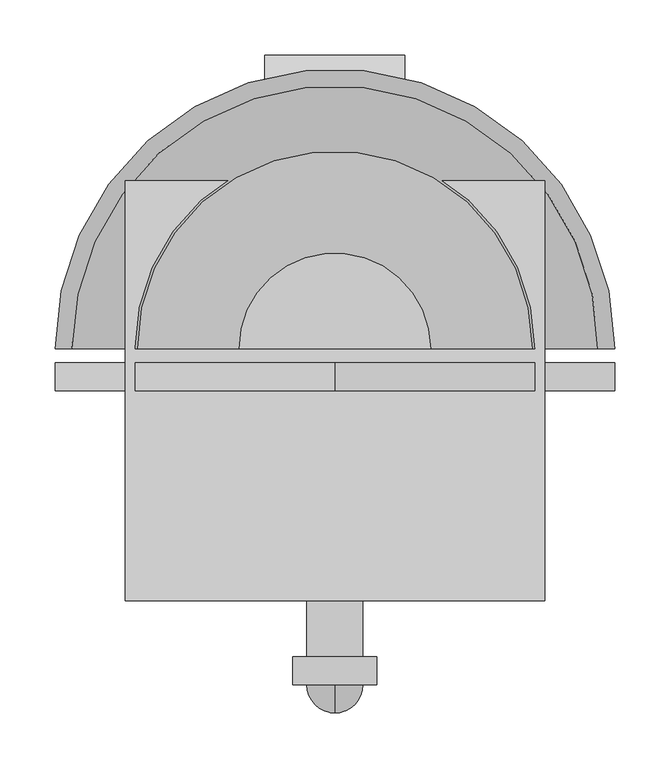
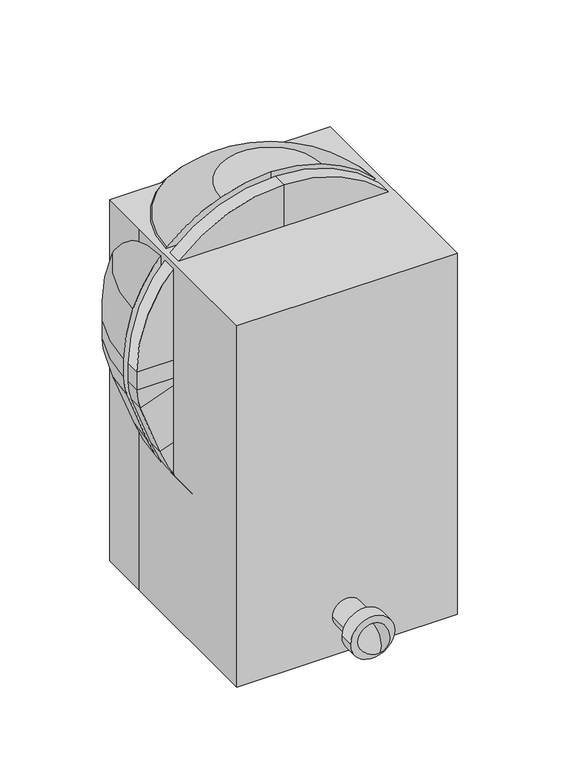
"""IFC4 building model written with IfcOpenShell, lengths in millimetres: proxy geometry."""

from ifc_helpers import new_model, si_unit, point, frame, frame_2d, origin, origin_with_axes, place, context, project, spatial, polyline, circle_curve, ellipse_curve, trimmed, segment, composite_curve, outline, extrude, source, transform, mapped, element, save
from ifc_brep_helpers import plane_surface, cylinder_surface, revolved_surface, advanced_brep


def specialty_equipment_4807e9fa(model_context):
    return source(origin(), model_context, "Body", "SolidModel", [
        advanced_brep(
        [(-86.8731164, 38.1, 721.2819257), (-179.6051224, 38.1, 662.2051224), (-238.6819257, 38.1, 569.4731164), (-254.0, 38.1, 482.6), (-254.0, 38.1, 449.7148212), (-247.8727703, 38.1, 414.9655747), (-214.4568992, 38.1, 323.1562234), (-180.7778621, 38.1, 258.4593951), (-135.6735798, 38.1, 194.0438043), (-78.7437471, 38.1, 154.1811063), (0.0, 38.1, 133.0817829), (0.0, 38.1, 159.3777978), (-63.2399099, 38.1, 176.3228806), (-120.1697426, 38.1, 216.1855786), (-158.0533758, 38.1, 270.2890139), (-191.7324129, 38.1, 334.9858422), (-224.0045777, 38.1, 423.6528863), (-228.6, 38.1, 449.7148212), (-228.6, 38.1, 482.6), (-214.8137331, 38.1, 560.7858048), (-161.6446102, 38.1, 644.2446102), (-78.1858048, 38.1, 697.4137331), (0.0, 38.1, 711.2), (0.0, 38.1, 736.6), (86.8731164, 38.1, 721.2819257), (78.1858048, 38.1, 697.4137331), (161.6446102, 38.1, 644.2446102), (214.8137331, 38.1, 560.7858048), (228.6, 38.1, 482.6), (228.6, 38.1, 449.7148212), (224.0045777, 38.1, 423.6528863), (191.7324129, 38.1, 334.9858422), (158.0533758, 38.1, 270.2890139), (120.1697426, 38.1, 216.1855786), (63.2399099, 38.1, 176.3228806), (78.7437471, 38.1, 154.1811063), (135.6735798, 38.1, 194.0438043), (180.7778621, 38.1, 258.4593951), (214.4568992, 38.1, 323.1562234), (247.8727703, 38.1, 414.9655747), (254.0, 38.1, 449.7148212), (254.0, 38.1, 482.6), (238.6819257, 38.1, 569.4731164), (179.6051224, 38.1, 662.2051224)],
        [
            (0, 1, circle_curve(frame((0.0, 38.1, 482.6), z_axis=(0.0, -1.0, 0.0), x_axis=(-1.0, 0.0, 0.0)), 254.0)),
            (1, 2, circle_curve(frame((0.0, 38.1, 482.6), z_axis=(0.0, -1.0, 0.0), x_axis=(-1.0, 0.0, 0.0)), 254.0)),
            (2, 3, circle_curve(frame((0.0, 38.1, 482.6), z_axis=(0.0, -1.0, 0.0), x_axis=(-1.0, 0.0, 0.0)), 254.0)),
            (3, 4),
            (4, 5, circle_curve(frame((-152.4, 38.1, 449.7148212), z_axis=(0.0, -1.0, 0.0), x_axis=(-1.0, 0.0, 0.0)), 101.6)),
            (5, 6),
            (6, 7, circle_curve(frame((48.0932191, 38.1, 418.7166514), z_axis=(0.0, -1.0, 0.0), x_axis=(-1.0, 0.0, 0.0)), 279.4)),
            (7, 8),
            (8, 9, circle_curve(frame((-52.4477321, 38.1, 252.3191703), z_axis=(0.0, -1.0, 0.0), x_axis=(-1.0, 0.0, 0.0)), 101.6)),
            (9, 10),
            (10, 11),
            (11, 12),
            (12, 13, circle_curve(frame((-36.9438949, 38.1, 274.4609446), z_axis=(0.0, 1.0, 0.0), x_axis=(-1.0, 0.0, 0.0)), 101.6)),
            (13, 14),
            (14, 15, circle_curve(frame((70.8177054, 38.1, 430.5462703), z_axis=(0.0, 1.0, 0.0), x_axis=(-1.0, 0.0, 0.0)), 279.4)),
            (15, 16),
            (16, 17, circle_curve(frame((-152.4, 38.1, 449.7148212), z_axis=(0.0, 1.0, 0.0), x_axis=(-1.0, 0.0, 0.0)), 76.2)),
            (17, 18),
            (18, 19, circle_curve(frame((0.0, 38.1, 482.6), z_axis=(0.0, 1.0, 0.0), x_axis=(-1.0, 0.0, 0.0)), 228.6)),
            (19, 20, circle_curve(frame((0.0, 38.1, 482.6), z_axis=(0.0, 1.0, 0.0), x_axis=(-1.0, 0.0, 0.0)), 228.6)),
            (20, 21, circle_curve(frame((0.0, 38.1, 482.6), z_axis=(0.0, 1.0, 0.0), x_axis=(-1.0, 0.0, 0.0)), 228.6)),
            (21, 22, circle_curve(frame((0.0, 38.1, 482.6), z_axis=(0.0, 1.0, 0.0), x_axis=(-1.0, 0.0, 0.0)), 228.6)),
            (22, 23),
            (23, 0, circle_curve(frame((0.0, 38.1, 482.6), z_axis=(0.0, -1.0, 0.0), x_axis=(-1.0, 0.0, 0.0)), 254.0)),
            (24, 23, circle_curve(frame((0.0, 38.1, 482.6), z_axis=(0.0, -1.0, 0.0), x_axis=(1.0, 0.0, 0.0)), 254.0)),
            (22, 25, circle_curve(frame((0.0, 38.1, 482.6), z_axis=(0.0, 1.0, 0.0), x_axis=(1.0, 0.0, 0.0)), 228.6)),
            (25, 26, circle_curve(frame((0.0, 38.1, 482.6), z_axis=(0.0, 1.0, 0.0), x_axis=(1.0, 0.0, 0.0)), 228.6)),
            (26, 27, circle_curve(frame((0.0, 38.1, 482.6), z_axis=(0.0, 1.0, 0.0), x_axis=(1.0, 0.0, 0.0)), 228.6)),
            (27, 28, circle_curve(frame((0.0, 38.1, 482.6), z_axis=(0.0, 1.0, 0.0), x_axis=(1.0, 0.0, 0.0)), 228.6)),
            (28, 29),
            (29, 30, circle_curve(frame((152.4, 38.1, 449.7148212), z_axis=(0.0, 1.0, 0.0), x_axis=(1.0, 0.0, 0.0)), 76.2)),
            (30, 31),
            (31, 32, circle_curve(frame((-70.8177054, 38.1, 430.5462703), z_axis=(0.0, 1.0, 0.0), x_axis=(1.0, 0.0, 0.0)), 279.4)),
            (32, 33),
            (33, 34, circle_curve(frame((36.9438949, 38.1, 274.4609446), z_axis=(0.0, 1.0, 0.0), x_axis=(1.0, 0.0, 0.0)), 101.6)),
            (34, 11),
            (10, 35),
            (35, 36, circle_curve(frame((52.4477321, 38.1, 252.3191703), z_axis=(0.0, -1.0, 0.0), x_axis=(1.0, 0.0, 0.0)), 101.6)),
            (36, 37),
            (37, 38, circle_curve(frame((-48.0932191, 38.1, 418.7166514), z_axis=(0.0, -1.0, 0.0), x_axis=(1.0, 0.0, 0.0)), 279.4)),
            (38, 39),
            (39, 40, circle_curve(frame((152.4, 38.1, 449.7148212), z_axis=(0.0, -1.0, 0.0), x_axis=(1.0, 0.0, 0.0)), 101.6)),
            (40, 41),
            (41, 42, circle_curve(frame((0.0, 38.1, 482.6), z_axis=(0.0, -1.0, 0.0), x_axis=(1.0, 0.0, 0.0)), 254.0)),
            (42, 43, circle_curve(frame((0.0, 38.1, 482.6), z_axis=(0.0, -1.0, 0.0), x_axis=(1.0, 0.0, 0.0)), 254.0)),
            (43, 24, circle_curve(frame((0.0, 38.1, 482.6), z_axis=(0.0, -1.0, 0.0), x_axis=(1.0, 0.0, 0.0)), 254.0)),
            (24, 0, circle_curve(frame((0.0, 38.1, 721.2819257), z_axis=(0.0, 0.0, 1.0), x_axis=(-1.0, 0.0, 0.0)), 86.8731164)),
            (21, 25, circle_curve(frame((0.0, 38.1, 697.4137331), z_axis=(0.0, 0.0, -1.0), x_axis=(-1.0, 0.0, 0.0)), 78.1858048)),
            (20, 26, circle_curve(frame((0.0, 38.1, 644.2446102), z_axis=(0.0, 0.0, -1.0), x_axis=(-1.0, 0.0, 0.0)), 161.6446102)),
            (19, 27, circle_curve(frame((0.0, 38.1, 560.7858048), z_axis=(0.0, 0.0, -1.0), x_axis=(-1.0, 0.0, 0.0)), 214.8137331)),
            (18, 28, circle_curve(frame((0.0, 38.1, 482.6), z_axis=(0.0, 0.0, -1.0), x_axis=(-1.0, 0.0, 0.0)), 228.6)),
            (17, 29, circle_curve(frame((0.0, 38.1, 449.7148212), z_axis=(0.0, 0.0, -1.0), x_axis=(-1.0, 0.0, 0.0)), 228.6)),
            (16, 30, circle_curve(frame((0.0, 38.1, 423.6528863), z_axis=(0.0, 0.0, -1.0), x_axis=(-1.0, 0.0, 0.0)), 224.0045777)),
            (15, 31, circle_curve(frame((0.0, 38.1, 334.9858422), z_axis=(0.0, 0.0, -1.0), x_axis=(-1.0, 0.0, 0.0)), 191.7324129)),
            (14, 32, circle_curve(frame((0.0, 38.1, 270.2890139), z_axis=(0.0, 0.0, -1.0), x_axis=(-1.0, 0.0, 0.0)), 158.0533758)),
            (13, 33, circle_curve(frame((0.0, 38.1, 216.1855786), z_axis=(0.0, 0.0, -1.0), x_axis=(-1.0, 0.0, 0.0)), 120.1697426)),
            (12, 34, circle_curve(frame((0.0, 38.1, 176.3228806), z_axis=(0.0, 0.0, -1.0), x_axis=(-1.0, 0.0, 0.0)), 63.2399099)),
            (9, 35, circle_curve(frame((0.0, 38.1, 154.1811063), z_axis=(0.0, 0.0, -1.0), x_axis=(-1.0, 0.0, 0.0)), 78.7437471)),
            (8, 36, circle_curve(frame((0.0, 38.1, 194.0438043), z_axis=(0.0, 0.0, -1.0), x_axis=(-1.0, 0.0, 0.0)), 135.6735798)),
            (7, 37, circle_curve(frame((0.0, 38.1, 258.4593951), z_axis=(0.0, 0.0, -1.0), x_axis=(-1.0, 0.0, 0.0)), 180.7778621)),
            (6, 38, circle_curve(frame((0.0, 38.1, 323.1562234), z_axis=(0.0, 0.0, -1.0), x_axis=(-1.0, 0.0, 0.0)), 214.4568992)),
            (5, 39, circle_curve(frame((0.0, 38.1, 414.9655747), z_axis=(0.0, 0.0, -1.0), x_axis=(-1.0, 0.0, 0.0)), 247.8727703)),
            (4, 40, circle_curve(frame((0.0, 38.1, 449.7148212), z_axis=(0.0, 0.0, -1.0), x_axis=(-1.0, 0.0, 0.0)), 254.0)),
            (3, 41, circle_curve(frame((0.0, 38.1, 482.6), z_axis=(0.0, 0.0, -1.0), x_axis=(-1.0, 0.0, 0.0)), 254.0)),
            (2, 42, circle_curve(frame((0.0, 38.1, 569.4731164), z_axis=(0.0, 0.0, -1.0), x_axis=(-1.0, 0.0, 0.0)), 238.6819257)),
            (1, 43, circle_curve(frame((0.0, 38.1, 662.2051224), z_axis=(0.0, 0.0, -1.0), x_axis=(-1.0, 0.0, 0.0)), 179.6051224)),
        ],
        [
            plane_surface(frame((0.0, 38.1, 841.8102448), z_axis=(0.0, -1.0, 0.0), x_axis=(-1.0, 0.0, 0.0))),
            plane_surface(frame((0.0, 38.1, 841.8102448), z_axis=(0.0, -1.0, 0.0), x_axis=(1.0, 0.0, 0.0))),
            revolved_surface(trimmed(ellipse_curve(frame((0.0, 38.1, 482.6), z_axis=(0.0, 1.0, 0.0), x_axis=(-1.0, 0.0, 0.0)), 254.0, 254.0), [point((-86.8731164, 38.1, 721.2819257))], [point((0.0, 38.1, 736.6))], True, "CARTESIAN"), (0.0, 38.1, 841.8102448), (0.0, 0.0, 1.0)),
            revolved_surface(trimmed(ellipse_curve(frame((0.0, 38.1, 482.6), z_axis=(0.0, -1.0, 0.0), x_axis=(-1.0, 0.0, 0.0)), 228.6, 228.6), [point((0.0, 38.1, 711.2))], [point((-78.1858048, 38.1, 697.4137331))], True, "CARTESIAN"), (0.0, 38.1, 841.8102448), (0.0, 0.0, 1.0)),
            revolved_surface(trimmed(ellipse_curve(frame((0.0, 38.1, 482.6), z_axis=(0.0, -1.0, 0.0), x_axis=(-1.0, 0.0, 0.0)), 228.6, 228.6), [point((-78.1858048, 38.1, 697.4137331))], [point((-161.6446102, 38.1, 644.2446102))], True, "CARTESIAN"), (0.0, 38.1, 841.8102448), (0.0, 0.0, 1.0)),
            revolved_surface(trimmed(ellipse_curve(frame((0.0, 38.1, 482.6), z_axis=(0.0, -1.0, 0.0), x_axis=(-1.0, 0.0, 0.0)), 228.6, 228.6), [point((-161.6446102, 38.1, 644.2446102))], [point((-214.8137331, 38.1, 560.7858048))], True, "CARTESIAN"), (0.0, 38.1, 841.8102448), (0.0, 0.0, 1.0)),
            revolved_surface(trimmed(ellipse_curve(frame((0.0, 38.1, 482.6), z_axis=(0.0, -1.0, 0.0), x_axis=(-1.0, 0.0, 0.0)), 228.6, 228.6), [point((-214.8137331, 38.1, 560.7858048))], [point((-228.6, 38.1, 482.6))], True, "CARTESIAN"), (0.0, 38.1, 841.8102448), (0.0, 0.0, 1.0)),
            revolved_surface(polyline([(-228.6, 38.1, 482.6), (-228.6, 38.1, 449.7148212)]), (0.0, 38.1, 841.8102448), (0.0, 0.0, 1.0)),
            revolved_surface(trimmed(ellipse_curve(frame((-152.4, 38.1, 449.7148212), z_axis=(0.0, -1.0, 0.0), x_axis=(-1.0, 0.0, 0.0)), 76.2, 76.2), [point((-228.6, 38.1, 449.7148212))], [point((-224.0045777, 38.1, 423.6528863))], True, "CARTESIAN"), (0.0, 38.1, 841.8102448), (0.0, 0.0, 1.0)),
            revolved_surface(polyline([(-224.0045777, 38.1, 423.6528863), (-191.7324129, 38.1, 334.9858422)]), (0.0, 38.1, 841.8102448), (0.0, 0.0, 1.0)),
            revolved_surface(trimmed(ellipse_curve(frame((70.8177054, 38.1, 430.5462703), z_axis=(0.0, -1.0, 0.0), x_axis=(-1.0, 0.0, 0.0)), 279.4, 279.4), [point((-191.7324129, 38.1, 334.9858422))], [point((-158.0533758, 38.1, 270.2890139))], True, "CARTESIAN"), (0.0, 38.1, 841.8102448), (0.0, 0.0, 1.0)),
            revolved_surface(polyline([(-158.0533758, 38.1, 270.2890139), (-120.1697426, 38.1, 216.1855786)]), (0.0, 38.1, 841.8102448), (0.0, 0.0, 1.0)),
            revolved_surface(trimmed(ellipse_curve(frame((-36.9438949, 38.1, 274.4609446), z_axis=(0.0, -1.0, 0.0), x_axis=(-1.0, 0.0, 0.0)), 101.6, 101.6), [point((-120.1697426, 38.1, 216.1855786))], [point((-63.2399099, 38.1, 176.3228806))], True, "CARTESIAN"), (0.0, 38.1, 841.8102448), (0.0, 0.0, 1.0)),
            revolved_surface(polyline([(-63.2399099, 38.1, 176.3228806), (0.0, 38.1, 159.3777978)]), (0.0, 38.1, 841.8102448), (0.0, 0.0, 1.0)),
            revolved_surface(polyline([(0.0, 38.1, 133.0817829), (-78.7437471, 38.1, 154.1811063)]), (0.0, 38.1, 841.8102448), (0.0, 0.0, 1.0)),
            revolved_surface(trimmed(ellipse_curve(frame((-52.4477321, 38.1, 252.3191703), z_axis=(0.0, 1.0, 0.0), x_axis=(-1.0, 0.0, 0.0)), 101.6, 101.6), [point((-78.7437471, 38.1, 154.1811063))], [point((-135.6735798, 38.1, 194.0438043))], True, "CARTESIAN"), (0.0, 38.1, 841.8102448), (0.0, 0.0, 1.0)),
            revolved_surface(polyline([(-135.6735798, 38.1, 194.0438043), (-180.7778621, 38.1, 258.4593951)]), (0.0, 38.1, 841.8102448), (0.0, 0.0, 1.0)),
            revolved_surface(trimmed(ellipse_curve(frame((48.0932191, 38.1, 418.7166514), z_axis=(0.0, 1.0, 0.0), x_axis=(-1.0, 0.0, 0.0)), 279.4, 279.4), [point((-180.7778621, 38.1, 258.4593951))], [point((-214.4568992, 38.1, 323.1562234))], True, "CARTESIAN"), (0.0, 38.1, 841.8102448), (0.0, 0.0, 1.0)),
            revolved_surface(polyline([(-214.4568992, 38.1, 323.1562234), (-247.8727703, 38.1, 414.9655747)]), (0.0, 38.1, 841.8102448), (0.0, 0.0, 1.0)),
            revolved_surface(trimmed(ellipse_curve(frame((-152.4, 38.1, 449.7148212), z_axis=(0.0, 1.0, 0.0), x_axis=(-1.0, 0.0, 0.0)), 101.6, 101.6), [point((-247.8727703, 38.1, 414.9655747))], [point((-254.0, 38.1, 449.7148212))], True, "CARTESIAN"), (0.0, 38.1, 841.8102448), (0.0, 0.0, 1.0)),
            cylinder_surface(frame((0.0, 38.1, 841.8102448), z_axis=(0.0, 0.0, 1.0), x_axis=(-1.0, 0.0, 0.0)), 254.0),
            revolved_surface(trimmed(ellipse_curve(frame((0.0, 38.1, 482.6), z_axis=(0.0, 1.0, 0.0), x_axis=(-1.0, 0.0, 0.0)), 254.0, 254.0), [point((-254.0, 38.1, 482.6))], [point((-238.6819257, 38.1, 569.4731164))], True, "CARTESIAN"), (0.0, 38.1, 841.8102448), (0.0, 0.0, 1.0)),
            revolved_surface(trimmed(ellipse_curve(frame((0.0, 38.1, 482.6), z_axis=(0.0, 1.0, 0.0), x_axis=(-1.0, 0.0, 0.0)), 254.0, 254.0), [point((-238.6819257, 38.1, 569.4731164))], [point((-179.6051224, 38.1, 662.2051224))], True, "CARTESIAN"), (0.0, 38.1, 841.8102448), (0.0, 0.0, 1.0)),
            revolved_surface(trimmed(ellipse_curve(frame((0.0, 38.1, 482.6), z_axis=(0.0, 1.0, 0.0), x_axis=(-1.0, 0.0, 0.0)), 254.0, 254.0), [point((-179.6051224, 38.1, 662.2051224))], [point((-86.8731164, 38.1, 721.2819257))], True, "CARTESIAN"), (0.0, 38.1, 841.8102448), (0.0, 0.0, 1.0)),
        ],
        [
            (0, [[1, 2, 3, 4, 5, 6, 7, 8, 9, 10, 11, 12, 13, 14, 15, 16, 17, 18, 19, 20, 21, 22, 23, 24]]),
            (1, [[25, -23, 26, 27, 28, 29, 30, 31, 32, 33, 34, 35, 36, -11, 37, 38, 39, 40, 41, 42, 43, 44, 45, 46]]),
            (2, [[-25, 47, -24]]),
            (3, [[-26, -22, 48]]),
            (4, [[-27, -48, -21, 49]]),
            (5, [[-28, -49, -20, 50]]),
            (6, [[-29, -50, -19, 51]]),
            (7, [[-30, -51, -18, 52]]),
            (8, [[-31, -52, -17, 53]]),
            (9, [[-32, -53, -16, 54]]),
            (10, [[-33, -54, -15, 55]]),
            (11, [[-34, -55, -14, 56]]),
            (12, [[-35, -56, -13, 57]]),
            (13, [[-36, -57, -12]]),
            (14, [[-37, -10, 58]]),
            (15, [[-38, -58, -9, 59]]),
            (16, [[-39, -59, -8, 60]]),
            (17, [[-40, -60, -7, 61]]),
            (18, [[-41, -61, -6, 62]]),
            (19, [[-42, -62, -5, 63]]),
            (20, [[-43, -63, -4, 64]]),
            (21, [[-44, -64, -3, 65]]),
            (22, [[-45, -65, -2, 66]]),
            (23, [[-46, -66, -1, -47]]),
        ],
    ),
        extrude(outline(polyline([(245.0347495, -62.8509631), (194.0438043, -135.6735798), (169.0933226, -110.7230981), (145.0485961, -44.6607552), (145.0485961, 44.6607552), (169.0933226, 110.7230981), (194.0438043, 135.6735798), (245.0347495, 62.8509631), (245.0347495, -62.8509631)])), frame((0.0, 25.4, 0.0), z_axis=(0.0, 1.0, 0.0), x_axis=(0.0, 0.0, 1.0)), (0.0, 0.0, 1.0), 12.7),
        advanced_brep(
        [(-62.8509631, 25.4, 245.0347495), (-62.8509631, 0.0, 245.0347495), (-135.6735798, 0.0, 194.0438043), (-135.6735798, 25.4, 194.0438043), (-180.7778621, 25.4, 258.4593951), (-107.9552454, 25.4, 309.4503403), (-180.7778621, 0.0, 258.4593951), (-107.9552454, 0.0, 309.4503403), (-214.4568992, 25.4, 323.1562234), (-130.9182252, 25.4, 353.5618141), (-214.4568992, 0.0, 323.1562234), (-130.9182252, 0.0, 353.5618141), (-247.8727703, 25.4, 414.9655747), (-164.3340963, 25.4, 445.3711654), (-247.8727703, 0.0, 414.9655747), (-164.3340963, 0.0, 445.3711654), (-254.0, 25.4, 449.7148212), (-165.1, 25.4, 449.7148212), (-254.0, 0.0, 449.7148212), (-165.1, 0.0, 449.7148212), (-254.0, 25.4, 482.6), (-165.1, 25.4, 482.6), (-254.0, 0.0, 482.6), (-165.1, 0.0, 482.6), (0.0, 25.4, 736.6), (0.0, 25.4, 647.7), (0.0, 0.0, 736.6), (0.0, 0.0, 647.7), (254.0, 25.4, 482.6), (165.1, 25.4, 482.6), (254.0, 0.0, 482.6), (165.1, 0.0, 482.6), (254.0, 25.4, 449.7148212), (165.1, 25.4, 449.7148212), (254.0, 0.0, 449.7148212), (165.1, 0.0, 449.7148212), (247.8727703, 25.4, 414.9655747), (164.3340963, 25.4, 445.3711654), (247.8727703, 0.0, 414.9655747), (164.3340963, 0.0, 445.3711654), (214.4568992, 25.4, 323.1562234), (130.9182252, 25.4, 353.5618141), (214.4568992, 0.0, 323.1562234), (130.9182252, 0.0, 353.5618141), (180.7778621, 25.4, 258.4593951), (107.9552454, 25.4, 309.4503403), (180.7778621, 0.0, 258.4593951), (107.9552454, 0.0, 309.4503403), (62.8509631, 25.4, 245.0347495), (135.6735798, 25.4, 194.0438043), (135.6735798, 0.0, 194.0438043), (62.8509631, 0.0, 245.0347495)],
        [
            (0, 1),
            (1, 2),
            (2, 3),
            (3, 0),
            (3, 4),
            (4, 5),
            (5, 0),
            (2, 6),
            (6, 4),
            (1, 7),
            (7, 6),
            (5, 7),
            (8, 9),
            (9, 5, circle_curve(frame((48.0932191, 25.4, 418.7166514), z_axis=(0.0, -1.0, 0.0), x_axis=(-0.81915204428899, 0.0, -0.5735764363510486)), 190.5)),
            (4, 8, circle_curve(frame((48.0932191, 25.4, 418.7166514), z_axis=(0.0, 1.0, 0.0), x_axis=(-0.81915204428899, 0.0, -0.5735764363510486)), 279.4)),
            (10, 8),
            (6, 10, circle_curve(frame((48.0932191, 0.0, 418.7166514), z_axis=(0.0, 1.0, 0.0), x_axis=(-0.81915204428899, 0.0, -0.5735764363510486)), 279.4)),
            (11, 10),
            (7, 11, circle_curve(frame((48.0932191, 0.0, 418.7166514), z_axis=(0.0, 1.0, 0.0), x_axis=(-0.81915204428899, 0.0, -0.5735764363510486)), 190.5)),
            (9, 11),
            (8, 12),
            (12, 13),
            (13, 9),
            (10, 14),
            (14, 12),
            (11, 15),
            (15, 14),
            (13, 15),
            (16, 17),
            (17, 13, circle_curve(frame((-152.4, 25.4, 449.7148212), z_axis=(0.0, -1.0, 0.0), x_axis=(-0.9396926207859067, 0.0, -0.3420201433256736)), 12.7)),
            (12, 16, circle_curve(frame((-152.4, 25.4, 449.7148212), z_axis=(0.0, 1.0, 0.0), x_axis=(-0.9396926207859067, 0.0, -0.3420201433256736)), 101.6)),
            (18, 16),
            (14, 18, circle_curve(frame((-152.4, 0.0, 449.7148212), z_axis=(0.0, 1.0, 0.0), x_axis=(-0.9396926207859067, 0.0, -0.3420201433256736)), 101.6)),
            (19, 18),
            (15, 19, circle_curve(frame((-152.4, 0.0, 449.7148212), z_axis=(0.0, 1.0, 0.0), x_axis=(-0.9396926207859067, 0.0, -0.3420201433256736)), 12.7)),
            (17, 19),
            (16, 20),
            (20, 21),
            (21, 17),
            (18, 22),
            (22, 20),
            (19, 23),
            (23, 22),
            (21, 23),
            (24, 25),
            (25, 21, circle_curve(frame((0.0, 25.4, 482.6), z_axis=(0.0, -1.0, 0.0), x_axis=(-1.0, 0.0, 0.0)), 165.1)),
            (20, 24, circle_curve(frame((0.0, 25.4, 482.6), z_axis=(0.0, 1.0, 0.0), x_axis=(-1.0, 0.0, 0.0)), 254.0)),
            (26, 24),
            (22, 26, circle_curve(frame((0.0, 0.0, 482.6), z_axis=(0.0, 1.0, 0.0), x_axis=(-1.0, 0.0, 0.0)), 254.0)),
            (27, 26),
            (23, 27, circle_curve(frame((0.0, 0.0, 482.6), z_axis=(0.0, 1.0, 0.0), x_axis=(-1.0, 0.0, 0.0)), 165.1)),
            (25, 27),
            (28, 29),
            (29, 25, circle_curve(frame((0.0, 25.4, 482.6), z_axis=(0.0, -1.0, 0.0), x_axis=(0.0, 0.0, 1.0)), 165.1)),
            (24, 28, circle_curve(frame((0.0, 25.4, 482.6), z_axis=(0.0, 1.0, 0.0), x_axis=(0.0, 0.0, 1.0)), 254.0)),
            (30, 28),
            (26, 30, circle_curve(frame((0.0, 0.0, 482.6), z_axis=(0.0, 1.0, 0.0), x_axis=(0.0, 0.0, 1.0)), 254.0)),
            (31, 30),
            (27, 31, circle_curve(frame((0.0, 0.0, 482.6), z_axis=(0.0, 1.0, 0.0), x_axis=(0.0, 0.0, 1.0)), 165.1)),
            (29, 31),
            (28, 32),
            (32, 33),
            (33, 29),
            (30, 34),
            (34, 32),
            (31, 35),
            (35, 34),
            (33, 35),
            (36, 37),
            (37, 33, circle_curve(frame((152.4, 25.4, 449.7148212), z_axis=(0.0, -1.0, 0.0), x_axis=(1.0, 0.0, 0.0)), 12.7)),
            (32, 36, circle_curve(frame((152.4, 25.4, 449.7148212), z_axis=(0.0, 1.0, 0.0), x_axis=(1.0, 0.0, 0.0)), 101.6)),
            (38, 36),
            (34, 38, circle_curve(frame((152.4, 0.0, 449.7148212), z_axis=(0.0, 1.0, 0.0), x_axis=(1.0, 0.0, 0.0)), 101.6)),
            (39, 38),
            (35, 39, circle_curve(frame((152.4, 0.0, 449.7148212), z_axis=(0.0, 1.0, 0.0), x_axis=(1.0, 0.0, 0.0)), 12.7)),
            (37, 39),
            (36, 40),
            (40, 41),
            (41, 37),
            (38, 42),
            (42, 40),
            (39, 43),
            (43, 42),
            (41, 43),
            (44, 45),
            (45, 41, circle_curve(frame((-48.0932191, 25.4, 418.7166514), z_axis=(0.0, -1.0, 0.0), x_axis=(0.9396926207859088, 0.0, -0.3420201433256676)), 190.5)),
            (40, 44, circle_curve(frame((-48.0932191, 25.4, 418.7166514), z_axis=(0.0, 1.0, 0.0), x_axis=(0.9396926207859088, 0.0, -0.3420201433256676)), 279.4)),
            (46, 44),
            (42, 46, circle_curve(frame((-48.0932191, 0.0, 418.7166514), z_axis=(0.0, 1.0, 0.0), x_axis=(0.9396926207859088, 0.0, -0.3420201433256676)), 279.4)),
            (47, 46),
            (43, 47, circle_curve(frame((-48.0932191, 0.0, 418.7166514), z_axis=(0.0, 1.0, 0.0), x_axis=(0.9396926207859088, 0.0, -0.3420201433256676)), 190.5)),
            (45, 47),
            (48, 49),
            (49, 50),
            (50, 51),
            (51, 48),
            (44, 49),
            (48, 45),
            (46, 50),
            (47, 51),
        ],
        [
            plane_surface(frame((-135.6735798, 134.8203184, 194.0438043), z_axis=(0.5735764363510432, 0.0, -0.8191520442889938), x_axis=(0.8191520442889938, 0.0, 0.5735764363510432))),
            plane_surface(frame((-62.8509631, 25.4, 245.0347495), z_axis=(0.0, 1.0, 0.0), x_axis=(-0.5735764363510427, 0.0, 0.8191520442889941))),
            plane_surface(frame((-135.6735798, 25.4, 194.0438043), z_axis=(-0.819152044288994, 0.0, -0.5735764363510429), x_axis=(-0.5735764363510429, 0.0, 0.819152044288994))),
            plane_surface(frame((-135.6735798, 0.0, 194.0438043), z_axis=(0.0, -1.0000000000000002, 0.0), x_axis=(-0.5735764363510432, 0.0, 0.8191520442889939))),
            plane_surface(frame((-62.8509631, 0.0, 245.0347495), z_axis=(0.8191520442889939, 0.0, 0.5735764363510432), x_axis=(-0.5735764363510432, 0.0, 0.8191520442889939))),
            plane_surface(frame((48.0932191, 25.4, 418.7166514), z_axis=(0.0, 1.0, 0.0), x_axis=(-0.81915204428899, 0.0, -0.5735764363510486))),
            cylinder_surface(frame((48.0932191, 38.1, 418.7166514), z_axis=(0.0, -1.0, 0.0), x_axis=(-0.81915204428899, 0.0, -0.5735764363510486)), 279.4),
            plane_surface(frame((48.0932191, 0.0, 418.7166514), z_axis=(0.0, -1.0, 0.0), x_axis=(-0.81915204428899, 0.0, -0.5735764363510486))),
            revolved_surface(polyline([(-107.95524533705259, 0.0, 309.4503402751252), (-107.95524533705259, 25.4, 309.4503402751252)]), (48.0932191, 38.1, 418.7166514), (0.0, -1.0, 0.0)),
            plane_surface(frame((-130.9182252, 25.4, 353.5618141), z_axis=(0.0, 1.0, 0.0), x_axis=(-0.34202014332566844, 0.0, 0.9396926207859085))),
            plane_surface(frame((-214.4568992, 25.4, 323.1562234), z_axis=(-0.9396926207859086, 0.0, -0.3420201433256682), x_axis=(-0.3420201433256682, 0.0, 0.9396926207859086))),
            plane_surface(frame((-214.4568992, 0.0, 323.1562234), z_axis=(0.0, -1.0, 0.0), x_axis=(-0.34202014332566905, 0.0, 0.9396926207859083))),
            plane_surface(frame((-130.9182252, 0.0, 353.5618141), z_axis=(0.9396926207859085, 0.0, 0.34202014332566827), x_axis=(-0.34202014332566827, 0.0, 0.9396926207859085))),
            plane_surface(frame((-152.4, 25.4, 449.7148212), z_axis=(0.0, 1.0, 0.0), x_axis=(-0.9396926207859067, 0.0, -0.3420201433256736))),
            cylinder_surface(frame((-152.4, 38.1, 449.7148212), z_axis=(0.0, -1.0, 0.0), x_axis=(-0.9396926207859067, 0.0, -0.3420201433256736)), 101.6),
            plane_surface(frame((-152.4, 0.0, 449.7148212), z_axis=(0.0, -1.0, 0.0), x_axis=(-0.9396926207859067, 0.0, -0.3420201433256736))),
            revolved_surface(polyline([(-164.334096283981, 0.0, 445.37116537976397), (-164.334096283981, 25.4, 445.37116537976397)]), (-152.4, 38.1, 449.7148212), (0.0, -1.0, 0.0)),
            plane_surface(frame((-165.1, 25.4, 449.7148212), z_axis=(0.0, 1.0, 0.0), x_axis=(0.0, 0.0, 1.0))),
            plane_surface(frame((-254.0, 25.4, 449.7148212), z_axis=(-1.0, 0.0, 0.0), x_axis=(0.0, 0.0, 1.0))),
            plane_surface(frame((-254.0, 0.0, 449.7148212), z_axis=(0.0, -1.0, 0.0), x_axis=(0.0, 0.0, 1.0))),
            plane_surface(frame((-165.1, 0.0, 449.7148212), z_axis=(1.0, 0.0, 0.0), x_axis=(0.0, 0.0, 1.0))),
            plane_surface(frame((0.0, 25.4, 482.6), z_axis=(0.0, 1.0, 0.0), x_axis=(-1.0, 0.0, 0.0))),
            cylinder_surface(frame((0.0, 38.1, 482.6), z_axis=(0.0, -1.0, 0.0), x_axis=(-1.0, 0.0, 0.0)), 254.0),
            plane_surface(frame((0.0, 0.0, 482.6), z_axis=(0.0, -1.0, 0.0), x_axis=(-1.0, 0.0, 0.0))),
            revolved_surface(polyline([(-165.1, 0.0, 482.6), (-165.1, 25.4, 482.6)]), (0.0, 38.1, 482.6), (0.0, -1.0, 0.0)),
            plane_surface(frame((0.0, 25.4, 482.6), z_axis=(0.0, 1.0, 0.0), x_axis=(0.0, 0.0, 1.0))),
            cylinder_surface(frame((0.0, 38.1, 482.6), z_axis=(0.0, -1.0, 0.0), x_axis=(0.0, 0.0, 1.0)), 254.0),
            plane_surface(frame((0.0, 0.0, 482.6), z_axis=(0.0, -1.0, 0.0), x_axis=(0.0, 0.0, 1.0))),
            revolved_surface(polyline([(0.0, 0.0, 647.7), (0.0, 25.4, 647.7)]), (0.0, 38.1, 482.6), (0.0, -1.0, 0.0)),
            plane_surface(frame((165.1, 25.4, 482.6), z_axis=(0.0, 1.0, 0.0), x_axis=(0.0, 0.0, -1.0))),
            plane_surface(frame((254.0, 25.4, 482.6), z_axis=(1.0, 0.0, 0.0), x_axis=(0.0, 0.0, -1.0))),
            plane_surface(frame((254.0, 0.0, 482.6), z_axis=(0.0, -1.0, 0.0), x_axis=(0.0, 0.0, -1.0))),
            plane_surface(frame((165.1, 0.0, 482.6), z_axis=(-1.0, 0.0, 0.0), x_axis=(0.0, 0.0, -1.0))),
            plane_surface(frame((152.4, 25.4, 449.7148212), z_axis=(0.0, 1.0, 0.0), x_axis=(1.0, 0.0, 0.0))),
            cylinder_surface(frame((152.4, 38.1, 449.7148212), z_axis=(0.0, -1.0, 0.0), x_axis=(1.0, 0.0, 0.0)), 101.6),
            plane_surface(frame((152.4, 0.0, 449.7148212), z_axis=(0.0, -1.0, 0.0), x_axis=(1.0, 0.0, 0.0))),
            revolved_surface(polyline([(165.1, 0.0, 449.7148212), (165.1, 25.4, 449.7148212)]), (152.4, 38.1, 449.7148212), (0.0, -1.0, 0.0)),
            plane_surface(frame((164.3340963, 25.4, 445.3711654), z_axis=(0.0, 1.0000000000000002, 0.0), x_axis=(-0.34202014332566755, 0.0, -0.9396926207859089))),
            plane_surface(frame((247.8727703, 25.4, 414.9655747), z_axis=(0.9396926207859088, 0.0, -0.34202014332566766), x_axis=(-0.34202014332566766, 0.0, -0.9396926207859088))),
            plane_surface(frame((247.8727703, 0.0, 414.9655747), z_axis=(0.0, -1.0, 0.0), x_axis=(-0.34202014332566766, 0.0, -0.9396926207859088))),
            plane_surface(frame((164.3340963, 0.0, 445.3711654), z_axis=(-0.9396926207859089, 0.0, 0.34202014332566755), x_axis=(-0.34202014332566755, 0.0, -0.9396926207859089))),
            plane_surface(frame((-48.0932191, 25.4, 418.7166514), z_axis=(0.0, 1.0, 0.0), x_axis=(0.9396926207859088, 0.0, -0.3420201433256676))),
            cylinder_surface(frame((-48.0932191, 38.1, 418.7166514), z_axis=(0.0, -1.0, 0.0), x_axis=(0.9396926207859088, 0.0, -0.3420201433256676)), 279.4),
            plane_surface(frame((-48.0932191, 0.0, 418.7166514), z_axis=(0.0, -1.0, 0.0), x_axis=(0.9396926207859088, 0.0, -0.3420201433256676))),
            revolved_surface(polyline([(130.91822515971563, 0.0, 353.5618140964603), (130.91822515971563, 25.4, 353.5618140964603)]), (-48.0932191, 38.1, 418.7166514), (0.0, -1.0, 0.0)),
            plane_surface(frame((135.6735798, -58.6203184, 194.0438043), z_axis=(-0.5735764363510469, 0.0, -0.8191520442889912), x_axis=(0.8191520442889912, 0.0, -0.5735764363510469))),
            plane_surface(frame((107.9552454, 25.4, 309.4503403), z_axis=(0.0, 1.0, 0.0), x_axis=(-0.573576436351046, 0.0, -0.8191520442889919))),
            plane_surface(frame((180.7778621, 25.4, 258.4593951), z_axis=(0.8191520442889914, 0.0, -0.5735764363510468), x_axis=(-0.5735764363510468, 0.0, -0.8191520442889914))),
            plane_surface(frame((180.7778621, 0.0, 258.4593951), z_axis=(0.0, -1.0, 0.0), x_axis=(-0.5735764363510468, 0.0, -0.8191520442889914))),
            plane_surface(frame((107.9552454, 0.0, 309.4503403), z_axis=(-0.8191520442889911, 0.0, 0.573576436351047), x_axis=(-0.573576436351047, 0.0, -0.8191520442889911))),
        ],
        [
            (0, [[1, 2, 3, 4]]),
            (1, [[5, 6, 7, -4]]),
            (2, [[8, 9, -5, -3]]),
            (3, [[10, 11, -8, -2]]),
            (4, [[-7, 12, -10, -1]]),
            (5, [[13, 14, -6, 15]]),
            (6, [[16, -15, -9, 17]]),
            (7, [[18, -17, -11, 19]]),
            (8, [[20, -19, -12, -14]]),
            (9, [[21, 22, 23, -13]]),
            (10, [[24, 25, -21, -16]]),
            (11, [[26, 27, -24, -18]]),
            (12, [[-23, 28, -26, -20]]),
            (13, [[29, 30, -22, 31]]),
            (14, [[32, -31, -25, 33]]),
            (15, [[34, -33, -27, 35]]),
            (16, [[36, -35, -28, -30]]),
            (17, [[37, 38, 39, -29]]),
            (18, [[40, 41, -37, -32]]),
            (19, [[42, 43, -40, -34]]),
            (20, [[-39, 44, -42, -36]]),
            (21, [[45, 46, -38, 47]]),
            (22, [[48, -47, -41, 49]]),
            (23, [[50, -49, -43, 51]]),
            (24, [[52, -51, -44, -46]]),
            (25, [[53, 54, -45, 55]]),
            (26, [[56, -55, -48, 57]]),
            (27, [[58, -57, -50, 59]]),
            (28, [[60, -59, -52, -54]]),
            (29, [[61, 62, 63, -53]]),
            (30, [[64, 65, -61, -56]]),
            (31, [[66, 67, -64, -58]]),
            (32, [[-63, 68, -66, -60]]),
            (33, [[69, 70, -62, 71]]),
            (34, [[72, -71, -65, 73]]),
            (35, [[74, -73, -67, 75]]),
            (36, [[76, -75, -68, -70]]),
            (37, [[77, 78, 79, -69]]),
            (38, [[80, 81, -77, -72]]),
            (39, [[82, 83, -80, -74]]),
            (40, [[-79, 84, -82, -76]]),
            (41, [[85, 86, -78, 87]]),
            (42, [[88, -87, -81, 89]]),
            (43, [[90, -89, -83, 91]]),
            (44, [[92, -91, -84, -86]]),
            (45, [[93, 94, 95, 96]]),
            (46, [[97, -93, 98, -85]]),
            (47, [[99, -94, -97, -88]]),
            (48, [[100, -95, -99, -90]]),
            (49, [[-98, -96, -100, -92]]),
        ],
    ),
        advanced_brep(
        [(0.0, -266.7, 44.9176912), (0.0, -292.3175826, 70.5352737), (0.0, -266.7, 96.1528563), (0.0, -266.7, 70.5352737)],
        [
            (0, 1, circle_curve(frame((0.0, -266.7, 70.5352737), z_axis=(-1.0, 0.0, 0.0), x_axis=(0.0, 0.0, 1.0)), 25.6175826)),
            (1, 2, circle_curve(frame((0.0, -266.7, 70.5352737), z_axis=(-1.0, 0.0, 0.0), x_axis=(0.0, 0.0, -1.0)), 25.6175826)),
            (2, 0, circle_curve(frame((0.0, -266.7, 70.5352737), z_axis=(0.0, -1.0, 0.0), x_axis=(0.0, 0.0, 1.0)), 25.6175826)),
            (0, 2, circle_curve(frame((0.0, -266.7, 70.5352737), z_axis=(0.0, -1.0, 0.0), x_axis=(0.0, 0.0, 1.0)), 25.6175826)),
            (3, 0),
            (2, 3),
        ],
        [
            revolved_surface(trimmed(ellipse_curve(frame((0.0, -266.7, 70.5352737), z_axis=(-1.0, 0.0, 0.0), x_axis=(0.0, 0.0, -1.0)), 25.6175826, 25.6175826), [point((0.0, -292.3175826, 70.5352737))], [point((0.0, -266.7, 96.1528563))], True, "CARTESIAN"), (0.0, -331.3277273, 70.5352737), (0.0, 1.0, 0.0)),
            plane_surface(frame((0.0, -266.7, 70.5352737), z_axis=(0.0, 1.0, 0.0), x_axis=(0.0, 0.0, 1.0))),
        ],
        [
            (0, [[1, 2, 3]]),
            (0, [[-2, -1, 4]]),
            (1, [[5, -3, 6]]),
            (1, [[-6, -4, -5]]),
        ],
    ),
        extrude(outline(composite_curve([segment(trimmed(circle_curve(frame_2d((70.5352737, 0.0)), 38.1), [point((70.5352737, 38.1))], [point((70.5352737, -38.1))], False, "CARTESIAN"), True, "CONTINUOUS"), segment(trimmed(circle_curve(frame_2d((70.5352737, 0.0)), 38.1), [point((70.5352737, -38.1))], [point((70.5352737, 38.1))], False, "CARTESIAN"), True, "CONTINUOUS")], self_intersect=False)), frame((0.0, -266.7, 0.0), z_axis=(0.0, 1.0, 0.0), x_axis=(0.0, 0.0, 1.0)), (0.0, 0.0, 1.0), 25.4),
        extrude(outline(composite_curve([segment(trimmed(circle_curve(frame_2d((0.0, -163.2113641)), 25.4), [point((25.4, -163.2113641))], [point((-25.4, -163.2113641))], False, "CARTESIAN"), True, "CONTINUOUS"), segment(trimmed(circle_curve(frame_2d((0.0, -163.2113641)), 25.4), [point((-25.4, -163.2113641))], [point((25.4, -163.2113641))], False, "CARTESIAN"), True, "CONTINUOUS")], self_intersect=False)), frame((0.0, 0.0, 37.30625), z_axis=(0.0, 0.0, 1.0), x_axis=(1.0, 0.0, 0.0)), (0.0, 0.0, 1.0), 70.64375),
        extrude(outline(composite_curve([segment(trimmed(circle_curve(frame_2d((70.5352737, 0.0)), 25.4), [point((70.5352737, 25.4))], [point((70.5352737, -25.4))], False, "CARTESIAN"), True, "CONTINUOUS"), segment(trimmed(circle_curve(frame_2d((70.5352737, 0.0)), 25.4), [point((70.5352737, -25.4))], [point((70.5352737, 25.4))], False, "CARTESIAN"), True, "CONTINUOUS")], self_intersect=False)), frame((0.0, -241.3, 0.0), z_axis=(0.0, 1.0, 0.0), x_axis=(0.0, 0.0, 1.0)), (0.0, 0.0, 1.0), 279.4),
        extrude(outline(polyline([(38.1, 152.8037941), (111.703548, 152.8037941), (174.1229337, 196.5103185), (246.9671412, 300.5426282), (304.8, 220.0454017), (304.8, 0.0), (38.1, 0.0), (38.1, 152.8037941)])), frame((-63.5, 0.0, 0.0), z_axis=(1.0, 0.0, 0.0), x_axis=(0.0, 1.0, 0.0)), (0.0, 0.0, 1.0), 127.0),
        extrude(outline(polyline([(-190.5, -190.5), (-190.5, 101.6), (-190.5, 190.5), (190.5, 190.5), (190.5, -190.5), (-190.5, -190.5)])), origin_with_axes(), (0.0, 0.0, 1.0), 660.4),
    ])


if __name__ == "__main__":
    model = new_model("IFC4")
    model_context = context("Model", 3, world=origin())
    ifc_project = project(units=[si_unit("LENGTHUNIT", "METRE", prefix="MILLI")], contexts=[model_context])
    site = spatial("IfcSite", under=ifc_project)
    building = spatial("IfcBuilding", under=site)
    placement = place(None, origin())
    specialty_equipment_shape = specialty_equipment_4807e9fa(model_context)
    element("IfcBuildingElementProxy", 1, Name="Specialty Equipment", at=placement, inside=building, context=model_context, shape_type="MappedRepresentation", body=[
        mapped(specialty_equipment_shape, transform((0.0, 0.0, 0.0), x_axis=(1.0, 0.0, 0.0), y_axis=(0.0, 1.0, 0.0), z_axis=(0.0, 0.0, 1.0))),
    ])
    save(model, "model.ifc")
